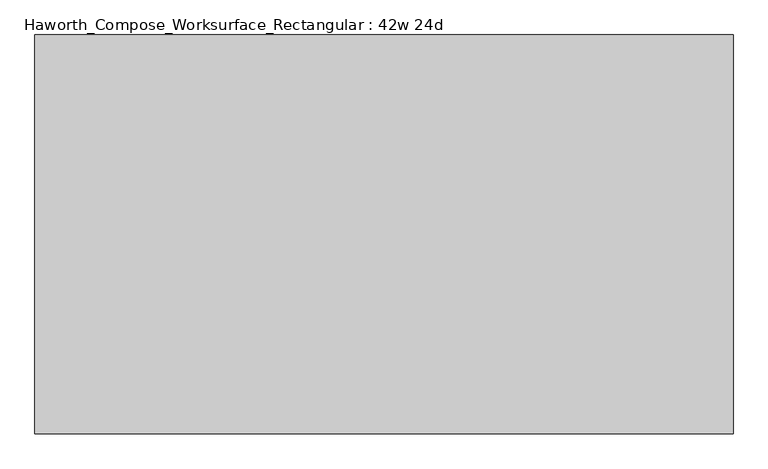
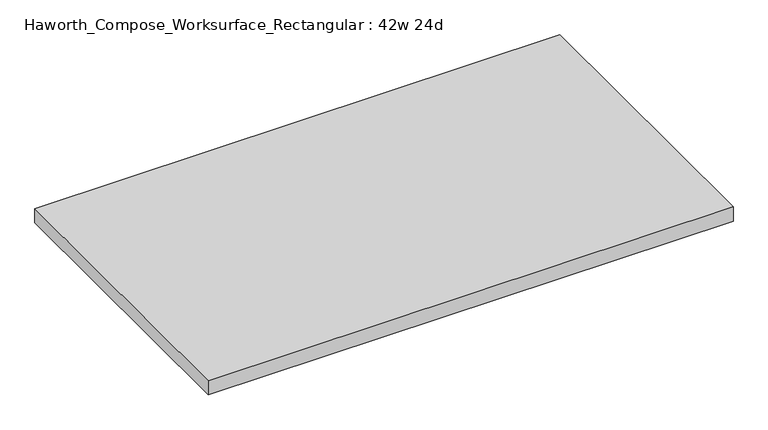
"""IFC4 building model written with IfcOpenShell, lengths in millimetres: furniture geometry, Haworth_Compose_Worksurface_Rectangular : 42w 24d."""

import ifcopenshell
import ifcopenshell.guid

model = None  # the IFC model being written
_history = None  # IfcOwnerHistory: only IFC2X3 demands one
_inside = {}  # id of a spatial element -> (the spatial element, [elements in it])
_under = {}  # id of a project, library or spatial element -> (it, [spatial elements below it])
_declared = {}  # id of a project -> (the project, [libraries it declares])
_typed = {}  # id of a type object -> (the type object, [elements of that type])
_made_of = {}  # id of a material, layer set ... -> (it, [elements and type objects made of it])


def new_model(schema):
    """Start an empty IFC model of exactly this schema.

    Asked for "IFC4X3", IfcOpenShell would pick the latest addendum, in which some entities
    have other attributes; the version numbers below select the first issue.
    IFC2X3 requires an IfcOwnerHistory on every rooted entity: one is made here for all.
    """
    global model, _history
    if schema == "IFC4X3":
        model = ifcopenshell.file(schema_version=(4, 3, 0, 0))
    else:
        model = ifcopenshell.file(schema=schema)
    _inside.clear()
    _under.clear()
    _declared.clear()
    _typed.clear()
    _made_of.clear()
    _history = None
    if model.schema == "IFC2X3":
        org = make("IfcOrganization", Name="unknown")
        user = make(
            "IfcPersonAndOrganization",
            ThePerson=make("IfcPerson", FamilyName="unknown"),
            TheOrganization=org,
        )
        app = make(
            "IfcApplication",
            ApplicationDeveloper=org,
            Version="unknown",
            ApplicationFullName="unknown",
            ApplicationIdentifier="unknown",
        )
        _history = make(
            "IfcOwnerHistory",
            OwningUser=user,
            OwningApplication=app,
            ChangeAction="ADDED",
            CreationDate=0,
        )
    return model


def make(cls, **values):
    """One entity of the class cls with the attributes given. An attribute that is None is left unset."""
    return model.create_entity(
        cls, **{name: value for name, value in values.items() if value is not None}
    )


def rooted(cls, **values):
    """An entity with a GlobalId (a new one), such as an element, a storey or a relation."""
    return make(cls, GlobalId=ifcopenshell.guid.new(), OwnerHistory=_history, **values)


def si_unit(unit_type, name, prefix=None):
    """IfcSIUnit, for example si_unit("LENGTHUNIT", "METRE", prefix="MILLI")."""
    return make("IfcSIUnit", UnitType=unit_type, Prefix=prefix, Name=name)


def assignment(units):
    """IfcUnitAssignment: the units of a project."""
    return None if units is None else make("IfcUnitAssignment", Units=units)


def point(xyz):
    """IfcCartesianPoint."""
    return None if xyz is None else make("IfcCartesianPoint", Coordinates=xyz)


def direction(xyz):
    """IfcDirection."""
    return None if xyz is None else make("IfcDirection", DirectionRatios=xyz)


def frame(location, z_axis=None, x_axis=None):
    """IfcAxis2Placement3D, a coordinate frame: its origin and axes. An axis left out is left unset."""
    return make(
        "IfcAxis2Placement3D",
        Location=point(location),
        Axis=direction(z_axis),
        RefDirection=direction(x_axis),
    )


def origin():
    """The frame at (0, 0, 0) with its axes left unset."""
    return frame((0.0, 0.0, 0.0))


def place(relative_to, where):
    """IfcLocalPlacement: puts the frame where relative to a parent placement (None: the world)."""
    return make(
        "IfcLocalPlacement", PlacementRelTo=relative_to, RelativePlacement=where
    )


def context(
    kind, dimensions, precision=None, world=None, true_north=None, identifier=None
):
    """IfcGeometricRepresentationContext, for example the 3D "Model" context."""
    return make(
        "IfcGeometricRepresentationContext",
        ContextIdentifier=identifier,
        ContextType=kind,
        CoordinateSpaceDimension=dimensions,
        Precision=precision,
        WorldCoordinateSystem=world,
        TrueNorth=true_north,
    )


def project(units=None, contexts=None):
    """IfcProject with its units and contexts."""
    return rooted(
        "IfcProject",
        Name="project",
        RepresentationContexts=contexts,
        UnitsInContext=assignment(units),
    )


def spatial(cls, under=None, at=None, **own):
    """A site, building, storey or space (cls), placed at a placement, below another one or the project."""
    s = rooted(cls, ObjectPlacement=at, **own)
    if under is not None:
        _under.setdefault(under.id(), (under, []))[1].append(s)
    return s


def polyline(points):
    """IfcPolyline through the points."""
    return make("IfcPolyline", Points=[point(p) for p in points])


def outline(outer, holes=None, kind="AREA"):
    """IfcArbitraryClosedProfileDef: a profile drawn as a closed curve; with holes, ...WithVoids."""
    if holes is None:
        return make("IfcArbitraryClosedProfileDef", ProfileType=kind, OuterCurve=outer)
    return make(
        "IfcArbitraryProfileDefWithVoids",
        ProfileType=kind,
        OuterCurve=outer,
        InnerCurves=holes,
    )


def extrude(swept, where, along, depth):
    """IfcExtrudedAreaSolid: the profile swept, set in the frame where, extruded along a direction by depth."""
    return make(
        "IfcExtrudedAreaSolid",
        SweptArea=swept,
        Position=where,
        ExtrudedDirection=direction(along),
        Depth=depth,
    )


def shape(context_of_items, identifier, shape_type, items):
    """IfcShapeRepresentation: the items that make up one representation, for example the "Body"."""
    return make(
        "IfcShapeRepresentation",
        ContextOfItems=context_of_items,
        RepresentationIdentifier=identifier,
        RepresentationType=shape_type,
        Items=items,
    )


def source(mapping_origin, context_of_items, identifier, shape_type, items):
    """IfcRepresentationMap: a shape defined once, which mapped items show again and again."""
    return make(
        "IfcRepresentationMap",
        MappingOrigin=mapping_origin,
        MappedRepresentation=shape(context_of_items, identifier, shape_type, items),
    )


def transform(
    local_origin,
    x_axis=None,
    y_axis=None,
    z_axis=None,
    scale=None,
    scale2=None,
    scale3=None,
    uniform=True,
):
    """IfcCartesianTransformationOperator3D, or its non-uniform kind. x_axis, y_axis, z_axis: its Axis1, 2, 3."""
    if uniform:
        return make(
            "IfcCartesianTransformationOperator3D",
            Axis1=direction(x_axis),
            Axis2=direction(y_axis),
            LocalOrigin=point(local_origin),
            Scale=scale,
            Axis3=direction(z_axis),
        )
    return make(
        "IfcCartesianTransformationOperator3DnonUniform",
        Axis1=direction(x_axis),
        Axis2=direction(y_axis),
        LocalOrigin=point(local_origin),
        Scale=scale,
        Axis3=direction(z_axis),
        Scale2=scale2,
        Scale3=scale3,
    )


def mapped(mapping_source, mapping_target):
    """IfcMappedItem: shows the shape of a source again, moved by a transform."""
    return make(
        "IfcMappedItem", MappingSource=mapping_source, MappingTarget=mapping_target
    )


def made_of(thing, what):
    """Note that an element or type object is made of a material, layer set ...; save() writes the relation."""
    if what is not None:
        _made_of.setdefault(what.id(), (what, []))[1].append(thing)
    return thing


def element(
    cls,
    number,
    at=None,
    inside=None,
    cuts=None,
    type_object=None,
    material=None,
    context=None,
    identifier="Body",
    shape_type=None,
    held_by="IfcProductDefinitionShape",
    body=None,
    shapes=None,
    **own,
):
    """One element of the class cls, such as IfcWall. Its Tag is "e" and its number.

    at: its placement. inside: the storey or other place that contains it. cuts: it is an
    opening in that element (IfcRelVoidsElement). A single representation is given by context,
    identifier, shape_type and body (its items); several are given by shapes. held_by: the class
    of the entity that holds the representations. save() writes the other relations.
    """
    e = rooted(cls, Tag="e%d" % number, ObjectPlacement=at, **own)
    if body is not None:
        shapes = [shape(context, identifier, shape_type, body)]
    if shapes is not None:
        e.Representation = make(held_by, Representations=shapes)
    if inside is not None:
        _inside.setdefault(inside.id(), (inside, []))[1].append(e)
    if cuts is not None:
        rooted(
            "IfcRelVoidsElement", RelatingBuildingElement=cuts, RelatedOpeningElement=e
        )
    if type_object is not None:
        _typed.setdefault(type_object.id(), (type_object, []))[1].append(e)
    return made_of(e, material)


def aggregate(whole, parts):
    """IfcRelAggregates: a whole, such as a stair, and the parts it consists of."""
    return rooted("IfcRelAggregates", RelatingObject=whole, RelatedObjects=parts)


def save(model, path):
    """Write the relations noted so far, then the file.

    IfcRelAggregates (storeys below a building ...), IfcRelContainedInSpatialStructure (elements
    in a storey), IfcRelDefinesByType, IfcRelAssociatesMaterial and IfcRelDeclares: one each for
    every whole, place, type object, material and project.
    """
    for whole, parts in _under.values():
        aggregate(whole, parts)
    for where, things in _inside.values():
        rooted(
            "IfcRelContainedInSpatialStructure",
            RelatedElements=things,
            RelatingStructure=where,
        )
    for kind, things in _typed.values():
        rooted("IfcRelDefinesByType", RelatedObjects=things, RelatingType=kind)
    for what, things in _made_of.values():
        rooted("IfcRelAssociatesMaterial", RelatedObjects=things, RelatingMaterial=what)
    for by, libraries in _declared.values():
        rooted("IfcRelDeclares", RelatingContext=by, RelatedDefinitions=libraries)
    model.write(path)


def haworth_compose_worksurface_rectangular_42w_24d_109b4a99(model_context):
    return source(origin(), model_context, "Body", "SweptSolid", [
        extrude(outline(polyline([(533.4, 304.8), (533.4, -304.8), (-533.4, -304.8), (-533.4, 304.8), (533.4, 304.8)])), frame((0.0, 0.0, 706.4375), z_axis=(0.0, 0.0, 1.0), x_axis=(1.0, 0.0, 0.0)), (0.0, 0.0, 1.0), 30.1625),
    ])


if __name__ == "__main__":
    model = new_model("IFC4")
    model_context = context("Model", 3, world=origin())
    ifc_project = project(units=[si_unit("LENGTHUNIT", "METRE", prefix="MILLI")], contexts=[model_context])
    site = spatial("IfcSite", under=ifc_project)
    building = spatial("IfcBuilding", under=site)
    placement = place(None, origin())
    haworth_compose_worksurface_rectangular_42w_24d_shape = haworth_compose_worksurface_rectangular_42w_24d_109b4a99(model_context)
    element("IfcFurniture", 1, ObjectType="Haworth_Compose_Worksurface_Rectangular : 42w 24d", at=placement, inside=building, context=model_context, shape_type="MappedRepresentation", body=[
        mapped(haworth_compose_worksurface_rectangular_42w_24d_shape, transform((0.0, 0.0, 0.0), x_axis=(1.0, 0.0, 0.0), y_axis=(0.0, 1.0, 0.0), z_axis=(0.0, 0.0, 1.0))),
    ])
    save(model, "model.ifc")
